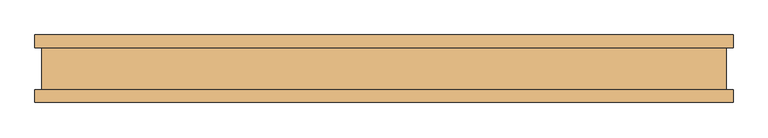
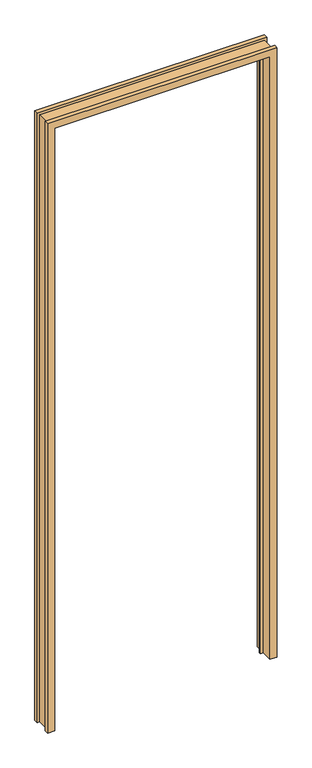
"""IFC4 building model written with IfcOpenShell, lengths in millimetres: door geometry."""

from ifc_helpers import new_model, si_unit, origin, place, context, project, spatial, faceted_brep, source, transform, mapped, element, save


def door_f75ca084(model_context):
    return source(origin(), model_context, "Body", "Brep", [
        faceted_brep([(-492.3282, -50.8, 0.0), (-524.9672, -50.8, 0.0), (-524.9672, -31.4833003, 0.0), (-514.35, -31.4833003, 0.0), (-514.35, 31.4833003, 0.0), (-524.9672, 31.4833003, 0.0), (-524.9672, 50.8, 0.0), (-492.3282, 50.8, 0.0), (-492.3282, 10.8710997, 0.0), (-479.3742, 10.8710997, 0.0), (-479.3742, 2.5906997, 0.0), (-492.3282, 2.5906997, 0.0), (492.3282, -50.8, 0.0), (492.3282, 2.5906997, 0.0), (479.3742, 2.5906997, 0.0), (479.3742, 10.8710997, 0.0), (492.3282, 10.8710997, 0.0), (492.3282, 50.8, 0.0), (524.9672, 50.8, 0.0), (524.9672, 31.4833003, 0.0), (514.35, 31.4833003, 0.0), (514.35, -31.4833003, 0.0), (524.9672, -31.4833003, 0.0), (524.9672, -50.8, 0.0), (-492.3282, 2.5906997, 2911.4675997), (-492.3282, -50.8, 2911.4675997), (-479.3742, 2.5906997, 2898.5135997), (479.3742, 2.5906997, 2898.5135997), (492.3282, 2.5906997, 2911.4675997), (-479.3742, 10.8710997, 2898.5135997), (-492.3282, 10.8710997, 2911.4675997), (492.3282, 10.8710997, 2911.4675997), (479.3742, 10.8710997, 2898.5135997), (-492.3282, 50.8, 2911.4675997), (-524.9672, 50.8, 2944.1065997), (524.9672, 50.8, 2944.1065997), (492.3282, 50.8, 2911.4675997), (-524.9672, 31.4833003, 2944.1065997), (-514.35, 31.4833003, 2933.4893997), (514.35, 31.4833003, 2933.4893997), (524.9672, 31.4833003, 2944.1065997), (-514.35, -31.4833003, 2933.4893997), (-524.9672, -31.4833003, 2944.1065997), (524.9672, -31.4833003, 2944.1065997), (514.35, -31.4833003, 2933.4893997), (-524.9672, -50.8, 2944.1065997), (492.3282, -50.8, 2911.4675997), (524.9672, -50.8, 2944.1065997)], [[[0, 1, 2, 3, 4, 5, 6, 7, 8, 9, 10, 11]], [[12, 13, 14, 15, 16, 17, 18, 19, 20, 21, 22, 23]], [[11, 24, 25, 0]], [[10, 26, 27, 14, 13, 28, 24, 11]], [[9, 29, 26, 10]], [[8, 30, 31, 16, 15, 32, 29, 9]], [[7, 33, 30, 8]], [[6, 34, 35, 18, 17, 36, 33, 7]], [[5, 37, 34, 6]], [[4, 38, 39, 20, 19, 40, 37, 5]], [[3, 41, 38, 4]], [[2, 42, 43, 22, 21, 44, 41, 3]], [[1, 45, 42, 2]], [[0, 25, 46, 12, 23, 47, 45, 1]], [[24, 28, 46, 25]], [[29, 32, 27, 26]], [[33, 36, 31, 30]], [[37, 40, 35, 34]], [[41, 44, 39, 38]], [[45, 47, 43, 42]], [[28, 13, 12, 46]], [[32, 15, 14, 27]], [[36, 17, 16, 31]], [[40, 19, 18, 35]], [[44, 21, 20, 39]], [[47, 23, 22, 43]]]),
    ])


if __name__ == "__main__":
    model = new_model("IFC4")
    model_context = context("Model", 3, world=origin())
    ifc_project = project(units=[si_unit("LENGTHUNIT", "METRE", prefix="MILLI")], contexts=[model_context])
    site = spatial("IfcSite", under=ifc_project)
    building = spatial("IfcBuilding", under=site)
    placement = place(None, origin())
    door_shape = door_f75ca084(model_context)
    element("IfcDoor", 1, at=placement, inside=building, context=model_context, shape_type="MappedRepresentation", body=[
        mapped(door_shape, transform((0.0, 0.0, 0.0), x_axis=(1.0, 0.0, 0.0), y_axis=(0.0, 1.0, 0.0), z_axis=(0.0, 0.0, 1.0))),
    ])
    save(model, "model.ifc")
